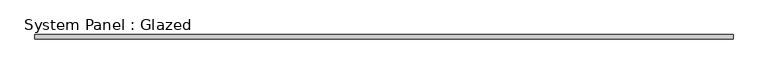
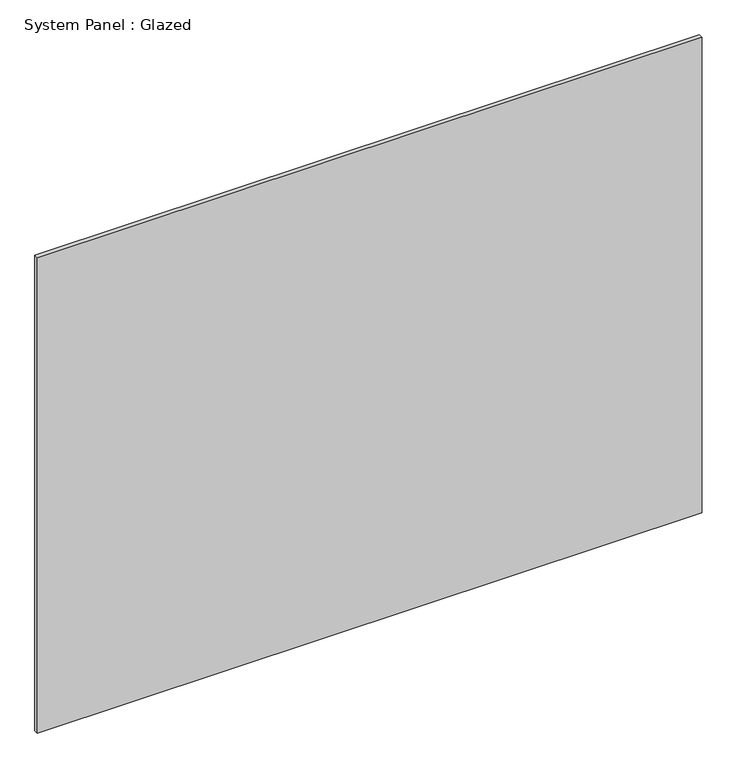
"""IFC4 building model written with IfcOpenShell, lengths in millimetres: plate geometry, System Panel : Glazed."""

from ifc_helpers import new_model, si_unit, origin, origin_with_axes, place, context, project, spatial, polyline, outline, extrude, source, transform, mapped, element, save


def system_panel_glazed_635a6f2a(model_context):
    return source(origin(), model_context, "Body", "SweptSolid", [
        extrude(outline(polyline([(1984.3469238, -49.5), (-1984.3469238, -49.5), (-1984.3469238, -24.5), (1984.3469238, -24.5), (1984.3469238, -49.5)])), origin_with_axes(), (0.0, 0.0, 1.0), 3000.0),
    ])


if __name__ == "__main__":
    model = new_model("IFC4")
    model_context = context("Model", 3, world=origin())
    ifc_project = project(units=[si_unit("LENGTHUNIT", "METRE", prefix="MILLI")], contexts=[model_context])
    site = spatial("IfcSite", under=ifc_project)
    building = spatial("IfcBuilding", under=site)
    placement = place(None, origin())
    system_panel_glazed_shape = system_panel_glazed_635a6f2a(model_context)
    element("IfcPlate", 1, ObjectType="System Panel : Glazed", at=placement, inside=building, context=model_context, shape_type="MappedRepresentation", body=[
        mapped(system_panel_glazed_shape, transform((0.0, 0.0, 0.0), x_axis=(1.0, 0.0, 0.0), y_axis=(0.0, 1.0, 0.0), z_axis=(0.0, 0.0, 1.0))),
    ])
    save(model, "model.ifc")
